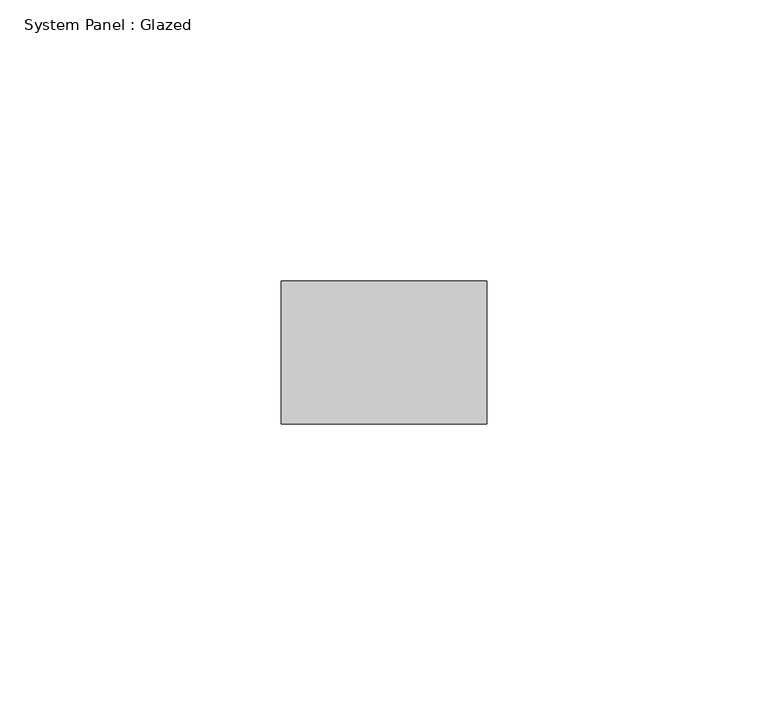
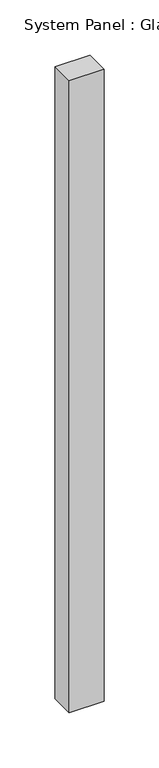
"""IFC4 building model written with IfcOpenShell, lengths in millimetres: plate geometry, System Panel : Glazed."""

from ifc_helpers import new_model, si_unit, origin, origin_with_axes, place, context, project, spatial, polyline, outline, extrude, source, transform, mapped, element, save


def system_panel_glazed_0f4d225d(model_context):
    return source(origin(), model_context, "Body", "SweptSolid", [
        extrude(outline(polyline([(18.246281, 19.05), (-18.246281, 19.05), (-18.246281, 44.45), (18.246281, 44.45), (18.246281, 19.05)])), origin_with_axes(), (0.0, 0.0, 1.0), 698.5),
    ])


if __name__ == "__main__":
    model = new_model("IFC4")
    model_context = context("Model", 3, world=origin())
    ifc_project = project(units=[si_unit("LENGTHUNIT", "METRE", prefix="MILLI")], contexts=[model_context])
    site = spatial("IfcSite", under=ifc_project)
    building = spatial("IfcBuilding", under=site)
    placement = place(None, origin())
    system_panel_glazed_shape = system_panel_glazed_0f4d225d(model_context)
    element("IfcPlate", 1, ObjectType="System Panel : Glazed", at=placement, inside=building, context=model_context, shape_type="MappedRepresentation", body=[
        mapped(system_panel_glazed_shape, transform((0.0, 0.0, 0.0), x_axis=(1.0, 0.0, 0.0), y_axis=(0.0, 1.0, 0.0), z_axis=(0.0, 0.0, 1.0))),
    ])
    save(model, "model.ifc")
